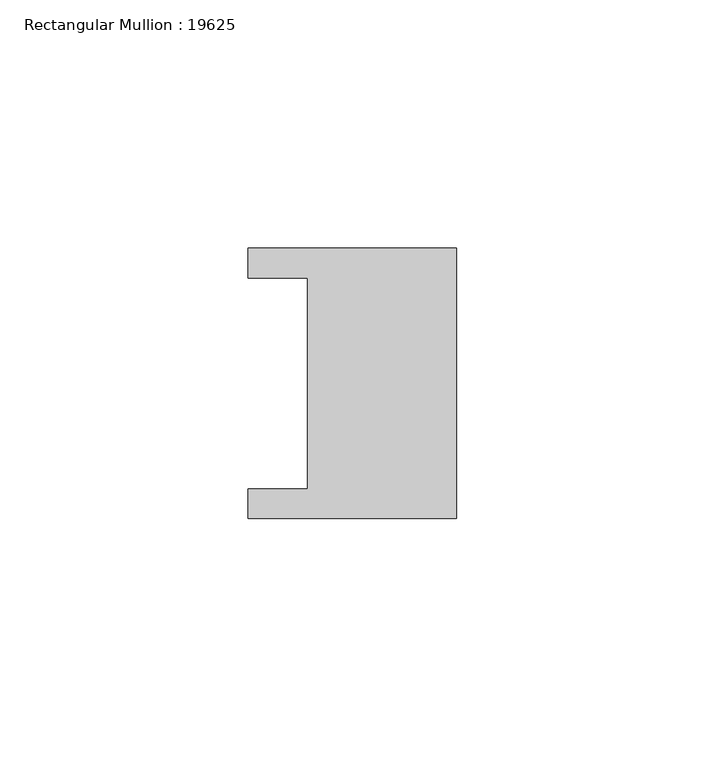
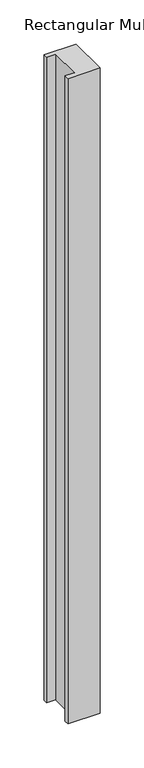
"""IFC4 building model written with IfcOpenShell, lengths in millimetres: member geometry, Rectangular Mullion : 19625."""

import ifcopenshell
import ifcopenshell.guid

model = None  # the IFC model being written
_history = None  # IfcOwnerHistory: only IFC2X3 demands one
_inside = {}  # id of a spatial element -> (the spatial element, [elements in it])
_under = {}  # id of a project, library or spatial element -> (it, [spatial elements below it])
_declared = {}  # id of a project -> (the project, [libraries it declares])
_typed = {}  # id of a type object -> (the type object, [elements of that type])
_made_of = {}  # id of a material, layer set ... -> (it, [elements and type objects made of it])


def new_model(schema):
    """Start an empty IFC model of exactly this schema.

    Asked for "IFC4X3", IfcOpenShell would pick the latest addendum, in which some entities
    have other attributes; the version numbers below select the first issue.
    IFC2X3 requires an IfcOwnerHistory on every rooted entity: one is made here for all.
    """
    global model, _history
    if schema == "IFC4X3":
        model = ifcopenshell.file(schema_version=(4, 3, 0, 0))
    else:
        model = ifcopenshell.file(schema=schema)
    _inside.clear()
    _under.clear()
    _declared.clear()
    _typed.clear()
    _made_of.clear()
    _history = None
    if model.schema == "IFC2X3":
        org = make("IfcOrganization", Name="unknown")
        user = make(
            "IfcPersonAndOrganization",
            ThePerson=make("IfcPerson", FamilyName="unknown"),
            TheOrganization=org,
        )
        app = make(
            "IfcApplication",
            ApplicationDeveloper=org,
            Version="unknown",
            ApplicationFullName="unknown",
            ApplicationIdentifier="unknown",
        )
        _history = make(
            "IfcOwnerHistory",
            OwningUser=user,
            OwningApplication=app,
            ChangeAction="ADDED",
            CreationDate=0,
        )
    return model


def make(cls, **values):
    """One entity of the class cls with the attributes given. An attribute that is None is left unset."""
    return model.create_entity(
        cls, **{name: value for name, value in values.items() if value is not None}
    )


def rooted(cls, **values):
    """An entity with a GlobalId (a new one), such as an element, a storey or a relation."""
    return make(cls, GlobalId=ifcopenshell.guid.new(), OwnerHistory=_history, **values)


def si_unit(unit_type, name, prefix=None):
    """IfcSIUnit, for example si_unit("LENGTHUNIT", "METRE", prefix="MILLI")."""
    return make("IfcSIUnit", UnitType=unit_type, Prefix=prefix, Name=name)


def assignment(units):
    """IfcUnitAssignment: the units of a project."""
    return None if units is None else make("IfcUnitAssignment", Units=units)


def point(xyz):
    """IfcCartesianPoint."""
    return None if xyz is None else make("IfcCartesianPoint", Coordinates=xyz)


def direction(xyz):
    """IfcDirection."""
    return None if xyz is None else make("IfcDirection", DirectionRatios=xyz)


def frame(location, z_axis=None, x_axis=None):
    """IfcAxis2Placement3D, a coordinate frame: its origin and axes. An axis left out is left unset."""
    return make(
        "IfcAxis2Placement3D",
        Location=point(location),
        Axis=direction(z_axis),
        RefDirection=direction(x_axis),
    )


def origin():
    """The frame at (0, 0, 0) with its axes left unset."""
    return frame((0.0, 0.0, 0.0))


def place(relative_to, where):
    """IfcLocalPlacement: puts the frame where relative to a parent placement (None: the world)."""
    return make(
        "IfcLocalPlacement", PlacementRelTo=relative_to, RelativePlacement=where
    )


def context(
    kind, dimensions, precision=None, world=None, true_north=None, identifier=None
):
    """IfcGeometricRepresentationContext, for example the 3D "Model" context."""
    return make(
        "IfcGeometricRepresentationContext",
        ContextIdentifier=identifier,
        ContextType=kind,
        CoordinateSpaceDimension=dimensions,
        Precision=precision,
        WorldCoordinateSystem=world,
        TrueNorth=true_north,
    )


def project(units=None, contexts=None):
    """IfcProject with its units and contexts."""
    return rooted(
        "IfcProject",
        Name="project",
        RepresentationContexts=contexts,
        UnitsInContext=assignment(units),
    )


def spatial(cls, under=None, at=None, **own):
    """A site, building, storey or space (cls), placed at a placement, below another one or the project."""
    s = rooted(cls, ObjectPlacement=at, **own)
    if under is not None:
        _under.setdefault(under.id(), (under, []))[1].append(s)
    return s


def polyline(points):
    """IfcPolyline through the points."""
    return make("IfcPolyline", Points=[point(p) for p in points])


def outline(outer, holes=None, kind="AREA"):
    """IfcArbitraryClosedProfileDef: a profile drawn as a closed curve; with holes, ...WithVoids."""
    if holes is None:
        return make("IfcArbitraryClosedProfileDef", ProfileType=kind, OuterCurve=outer)
    return make(
        "IfcArbitraryProfileDefWithVoids",
        ProfileType=kind,
        OuterCurve=outer,
        InnerCurves=holes,
    )


def extrude(swept, where, along, depth):
    """IfcExtrudedAreaSolid: the profile swept, set in the frame where, extruded along a direction by depth."""
    return make(
        "IfcExtrudedAreaSolid",
        SweptArea=swept,
        Position=where,
        ExtrudedDirection=direction(along),
        Depth=depth,
    )


def shape(context_of_items, identifier, shape_type, items):
    """IfcShapeRepresentation: the items that make up one representation, for example the "Body"."""
    return make(
        "IfcShapeRepresentation",
        ContextOfItems=context_of_items,
        RepresentationIdentifier=identifier,
        RepresentationType=shape_type,
        Items=items,
    )


def source(mapping_origin, context_of_items, identifier, shape_type, items):
    """IfcRepresentationMap: a shape defined once, which mapped items show again and again."""
    return make(
        "IfcRepresentationMap",
        MappingOrigin=mapping_origin,
        MappedRepresentation=shape(context_of_items, identifier, shape_type, items),
    )


def transform(
    local_origin,
    x_axis=None,
    y_axis=None,
    z_axis=None,
    scale=None,
    scale2=None,
    scale3=None,
    uniform=True,
):
    """IfcCartesianTransformationOperator3D, or its non-uniform kind. x_axis, y_axis, z_axis: its Axis1, 2, 3."""
    if uniform:
        return make(
            "IfcCartesianTransformationOperator3D",
            Axis1=direction(x_axis),
            Axis2=direction(y_axis),
            LocalOrigin=point(local_origin),
            Scale=scale,
            Axis3=direction(z_axis),
        )
    return make(
        "IfcCartesianTransformationOperator3DnonUniform",
        Axis1=direction(x_axis),
        Axis2=direction(y_axis),
        LocalOrigin=point(local_origin),
        Scale=scale,
        Axis3=direction(z_axis),
        Scale2=scale2,
        Scale3=scale3,
    )


def mapped(mapping_source, mapping_target):
    """IfcMappedItem: shows the shape of a source again, moved by a transform."""
    return make(
        "IfcMappedItem", MappingSource=mapping_source, MappingTarget=mapping_target
    )


def made_of(thing, what):
    """Note that an element or type object is made of a material, layer set ...; save() writes the relation."""
    if what is not None:
        _made_of.setdefault(what.id(), (what, []))[1].append(thing)
    return thing


def element(
    cls,
    number,
    at=None,
    inside=None,
    cuts=None,
    type_object=None,
    material=None,
    context=None,
    identifier="Body",
    shape_type=None,
    held_by="IfcProductDefinitionShape",
    body=None,
    shapes=None,
    **own,
):
    """One element of the class cls, such as IfcWall. Its Tag is "e" and its number.

    at: its placement. inside: the storey or other place that contains it. cuts: it is an
    opening in that element (IfcRelVoidsElement). A single representation is given by context,
    identifier, shape_type and body (its items); several are given by shapes. held_by: the class
    of the entity that holds the representations. save() writes the other relations.
    """
    e = rooted(cls, Tag="e%d" % number, ObjectPlacement=at, **own)
    if body is not None:
        shapes = [shape(context, identifier, shape_type, body)]
    if shapes is not None:
        e.Representation = make(held_by, Representations=shapes)
    if inside is not None:
        _inside.setdefault(inside.id(), (inside, []))[1].append(e)
    if cuts is not None:
        rooted(
            "IfcRelVoidsElement", RelatingBuildingElement=cuts, RelatedOpeningElement=e
        )
    if type_object is not None:
        _typed.setdefault(type_object.id(), (type_object, []))[1].append(e)
    return made_of(e, material)


def aggregate(whole, parts):
    """IfcRelAggregates: a whole, such as a stair, and the parts it consists of."""
    return rooted("IfcRelAggregates", RelatingObject=whole, RelatedObjects=parts)


def save(model, path):
    """Write the relations noted so far, then the file.

    IfcRelAggregates (storeys below a building ...), IfcRelContainedInSpatialStructure (elements
    in a storey), IfcRelDefinesByType, IfcRelAssociatesMaterial and IfcRelDeclares: one each for
    every whole, place, type object, material and project.
    """
    for whole, parts in _under.values():
        aggregate(whole, parts)
    for where, things in _inside.values():
        rooted(
            "IfcRelContainedInSpatialStructure",
            RelatedElements=things,
            RelatingStructure=where,
        )
    for kind, things in _typed.values():
        rooted("IfcRelDefinesByType", RelatedObjects=things, RelatingType=kind)
    for what, things in _made_of.values():
        rooted("IfcRelAssociatesMaterial", RelatedObjects=things, RelatingMaterial=what)
    for by, libraries in _declared.values():
        rooted("IfcRelDeclares", RelatingContext=by, RelatedDefinitions=libraries)
    model.write(path)


def rectangular_mullion_19625_9a2140f2(model_context):
    return source(origin(), model_context, "Body", "SweptSolid", [
        extrude(outline(polyline([(0.0, -27.25), (-42.0, -27.25), (-42.0, -21.25), (-30.0, -21.25), (-30.0, 21.25), (-42.0, 21.25), (-42.0, 27.25), (0.0, 27.25), (0.0, -27.25)])), frame((0.0, 0.0, -894.0), z_axis=(0.0, 0.0, 1.0), x_axis=(1.0, 0.0, 0.0)), (0.0, 0.0, 1.0), 894.0),
    ])


if __name__ == "__main__":
    model = new_model("IFC4")
    model_context = context("Model", 3, world=origin())
    ifc_project = project(units=[si_unit("LENGTHUNIT", "METRE", prefix="MILLI")], contexts=[model_context])
    site = spatial("IfcSite", under=ifc_project)
    building = spatial("IfcBuilding", under=site)
    placement = place(None, origin())
    rectangular_mullion_19625_shape = rectangular_mullion_19625_9a2140f2(model_context)
    element("IfcMember", 1, ObjectType="Rectangular Mullion : 19625", at=placement, inside=building, context=model_context, shape_type="MappedRepresentation", body=[
        mapped(rectangular_mullion_19625_shape, transform((0.0, 0.0, 0.0), x_axis=(1.0, 0.0, 0.0), y_axis=(0.0, 1.0, 0.0), z_axis=(0.0, 0.0, 1.0))),
    ])
    save(model, "model.ifc")
